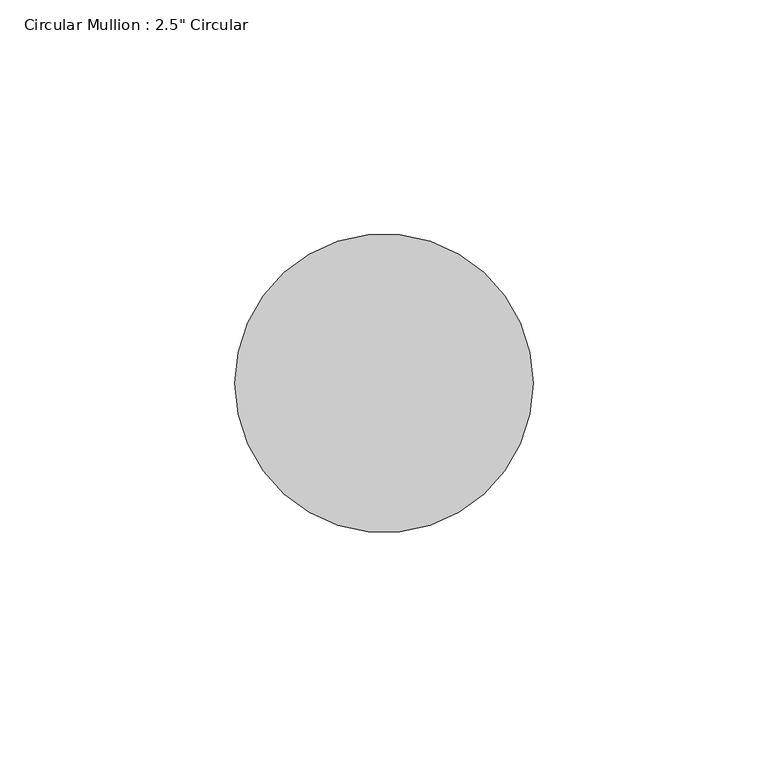
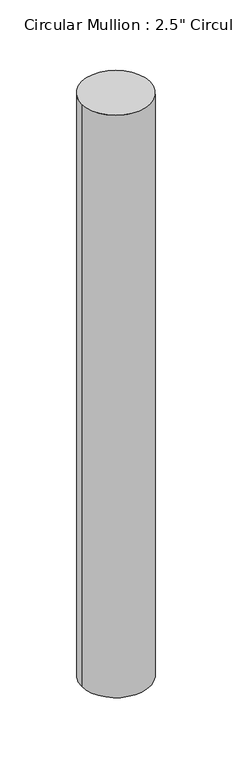
"""IFC4 building model written with IfcOpenShell, lengths in millimetres: member geometry."""

from ifc_helpers import new_model, si_unit, point, frame, origin, origin_2d, place, context, project, spatial, circle_curve, trimmed, segment, composite_curve, outline, extrude, source, transform, mapped, element, save


def member_0fd682e3(model_context):
    return source(origin(), model_context, "Body", "SweptSolid", [
        extrude(outline(composite_curve([segment(trimmed(circle_curve(origin_2d(), 31.75), [point((31.75, 0.0))], [point((-31.75, 0.0))], False, "CARTESIAN"), True, "CONTINUOUS"), segment(trimmed(circle_curve(origin_2d(), 31.75), [point((-31.75, 0.0))], [point((31.75, 0.0))], False, "CARTESIAN"), True, "CONTINUOUS")], self_intersect=False)), frame((0.0, 0.0, -573.0), z_axis=(0.0, 0.0, 1.0), x_axis=(1.0, 0.0, 0.0)), (0.0, 0.0, 1.0), 573.0),
    ])


if __name__ == "__main__":
    model = new_model("IFC4")
    model_context = context("Model", 3, world=origin())
    ifc_project = project(units=[si_unit("LENGTHUNIT", "METRE", prefix="MILLI")], contexts=[model_context])
    site = spatial("IfcSite", under=ifc_project)
    building = spatial("IfcBuilding", under=site)
    placement = place(None, origin())
    member_shape = member_0fd682e3(model_context)
    element("IfcMember", 1, ObjectType="Circular Mullion : 2.5\" Circular", at=placement, inside=building, context=model_context, shape_type="MappedRepresentation", body=[
        mapped(member_shape, transform((0.0, 0.0, 0.0), x_axis=(1.0, 0.0, 0.0), y_axis=(0.0, 1.0, 0.0), z_axis=(0.0, 0.0, 1.0))),
    ])
    save(model, "model.ifc")
